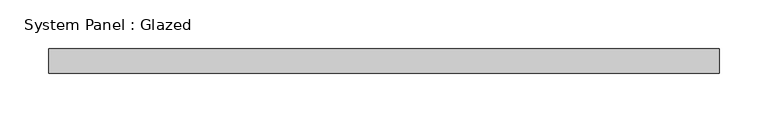
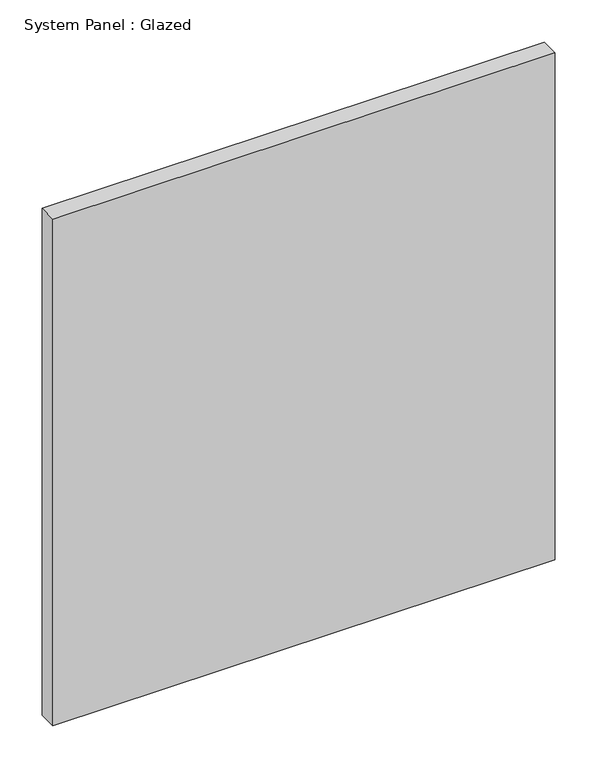
"""IFC4 building model written with IfcOpenShell, lengths in millimetres: plate geometry, System Panel : Glazed."""

from ifc_helpers import new_model, si_unit, origin, origin_with_axes, place, context, project, spatial, polyline, outline, extrude, source, transform, mapped, element, save


def system_panel_glazed_0b8b4edb(model_context):
    return source(origin(), model_context, "Body", "SweptSolid", [
        extrude(outline(polyline([(345.3, -88.9), (-345.3, -88.9), (-345.3, -63.5), (345.3, -63.5), (345.3, -88.9)])), origin_with_axes(), (0.0, 0.0, 1.0), 736.4),
    ])


if __name__ == "__main__":
    model = new_model("IFC4")
    model_context = context("Model", 3, world=origin())
    ifc_project = project(units=[si_unit("LENGTHUNIT", "METRE", prefix="MILLI")], contexts=[model_context])
    site = spatial("IfcSite", under=ifc_project)
    building = spatial("IfcBuilding", under=site)
    placement = place(None, origin())
    system_panel_glazed_shape = system_panel_glazed_0b8b4edb(model_context)
    element("IfcPlate", 1, ObjectType="System Panel : Glazed", at=placement, inside=building, context=model_context, shape_type="MappedRepresentation", body=[
        mapped(system_panel_glazed_shape, transform((0.0, 0.0, 0.0), x_axis=(1.0, 0.0, 0.0), y_axis=(0.0, 1.0, 0.0), z_axis=(0.0, 0.0, 1.0))),
    ])
    save(model, "model.ifc")
